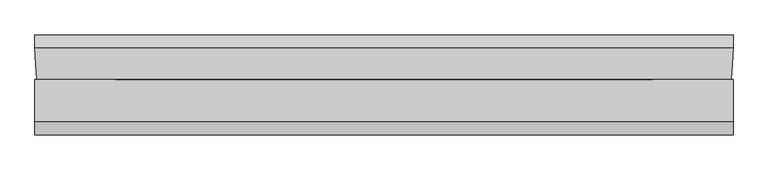
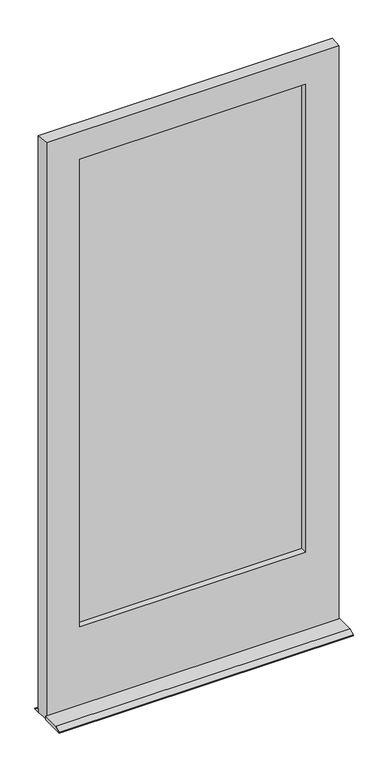
"""IFC4 building model written with IfcOpenShell, lengths in millimetres: plate geometry."""

import ifcopenshell
import ifcopenshell.guid

model = None  # the IFC model being written
_history = None  # IfcOwnerHistory: only IFC2X3 demands one
_inside = {}  # id of a spatial element -> (the spatial element, [elements in it])
_under = {}  # id of a project, library or spatial element -> (it, [spatial elements below it])
_declared = {}  # id of a project -> (the project, [libraries it declares])
_typed = {}  # id of a type object -> (the type object, [elements of that type])
_made_of = {}  # id of a material, layer set ... -> (it, [elements and type objects made of it])


def new_model(schema):
    """Start an empty IFC model of exactly this schema.

    Asked for "IFC4X3", IfcOpenShell would pick the latest addendum, in which some entities
    have other attributes; the version numbers below select the first issue.
    IFC2X3 requires an IfcOwnerHistory on every rooted entity: one is made here for all.
    """
    global model, _history
    if schema == "IFC4X3":
        model = ifcopenshell.file(schema_version=(4, 3, 0, 0))
    else:
        model = ifcopenshell.file(schema=schema)
    _inside.clear()
    _under.clear()
    _declared.clear()
    _typed.clear()
    _made_of.clear()
    _history = None
    if model.schema == "IFC2X3":
        org = make("IfcOrganization", Name="unknown")
        user = make(
            "IfcPersonAndOrganization",
            ThePerson=make("IfcPerson", FamilyName="unknown"),
            TheOrganization=org,
        )
        app = make(
            "IfcApplication",
            ApplicationDeveloper=org,
            Version="unknown",
            ApplicationFullName="unknown",
            ApplicationIdentifier="unknown",
        )
        _history = make(
            "IfcOwnerHistory",
            OwningUser=user,
            OwningApplication=app,
            ChangeAction="ADDED",
            CreationDate=0,
        )
    return model


def make(cls, **values):
    """One entity of the class cls with the attributes given. An attribute that is None is left unset."""
    return model.create_entity(
        cls, **{name: value for name, value in values.items() if value is not None}
    )


def rooted(cls, **values):
    """An entity with a GlobalId (a new one), such as an element, a storey or a relation."""
    return make(cls, GlobalId=ifcopenshell.guid.new(), OwnerHistory=_history, **values)


def si_unit(unit_type, name, prefix=None):
    """IfcSIUnit, for example si_unit("LENGTHUNIT", "METRE", prefix="MILLI")."""
    return make("IfcSIUnit", UnitType=unit_type, Prefix=prefix, Name=name)


def assignment(units):
    """IfcUnitAssignment: the units of a project."""
    return None if units is None else make("IfcUnitAssignment", Units=units)


def point(xyz):
    """IfcCartesianPoint."""
    return None if xyz is None else make("IfcCartesianPoint", Coordinates=xyz)


def direction(xyz):
    """IfcDirection."""
    return None if xyz is None else make("IfcDirection", DirectionRatios=xyz)


def frame(location, z_axis=None, x_axis=None):
    """IfcAxis2Placement3D, a coordinate frame: its origin and axes. An axis left out is left unset."""
    return make(
        "IfcAxis2Placement3D",
        Location=point(location),
        Axis=direction(z_axis),
        RefDirection=direction(x_axis),
    )


def origin():
    """The frame at (0, 0, 0) with its axes left unset."""
    return frame((0.0, 0.0, 0.0))


def place(relative_to, where):
    """IfcLocalPlacement: puts the frame where relative to a parent placement (None: the world)."""
    return make(
        "IfcLocalPlacement", PlacementRelTo=relative_to, RelativePlacement=where
    )


def context(
    kind, dimensions, precision=None, world=None, true_north=None, identifier=None
):
    """IfcGeometricRepresentationContext, for example the 3D "Model" context."""
    return make(
        "IfcGeometricRepresentationContext",
        ContextIdentifier=identifier,
        ContextType=kind,
        CoordinateSpaceDimension=dimensions,
        Precision=precision,
        WorldCoordinateSystem=world,
        TrueNorth=true_north,
    )


def project(units=None, contexts=None):
    """IfcProject with its units and contexts."""
    return rooted(
        "IfcProject",
        Name="project",
        RepresentationContexts=contexts,
        UnitsInContext=assignment(units),
    )


def spatial(cls, under=None, at=None, **own):
    """A site, building, storey or space (cls), placed at a placement, below another one or the project."""
    s = rooted(cls, ObjectPlacement=at, **own)
    if under is not None:
        _under.setdefault(under.id(), (under, []))[1].append(s)
    return s


def polyline(points):
    """IfcPolyline through the points."""
    return make("IfcPolyline", Points=[point(p) for p in points])


def outline(outer, holes=None, kind="AREA"):
    """IfcArbitraryClosedProfileDef: a profile drawn as a closed curve; with holes, ...WithVoids."""
    if holes is None:
        return make("IfcArbitraryClosedProfileDef", ProfileType=kind, OuterCurve=outer)
    return make(
        "IfcArbitraryProfileDefWithVoids",
        ProfileType=kind,
        OuterCurve=outer,
        InnerCurves=holes,
    )


def extrude(swept, where, along, depth):
    """IfcExtrudedAreaSolid: the profile swept, set in the frame where, extruded along a direction by depth."""
    return make(
        "IfcExtrudedAreaSolid",
        SweptArea=swept,
        Position=where,
        ExtrudedDirection=direction(along),
        Depth=depth,
    )


def faces_of(points, faces, orient=None, outer=None):
    """IfcFace entities. A face is a list of loops; a loop is a list of indices into points, from 0.

    orient and outer hold one flag for each loop. By default every Orientation is true, the
    first loop of a face is its IfcFaceOuterBound and the others are IfcFaceBound.
    """
    made = []
    for i, loops in enumerate(faces):
        bounds = []
        for j, loop in enumerate(loops):
            is_outer = j == 0 if outer is None else outer[i][j]
            bounds.append(
                make(
                    "IfcFaceOuterBound" if is_outer else "IfcFaceBound",
                    Bound=make("IfcPolyLoop", Polygon=[points[k] for k in loop]),
                    Orientation=True if orient is None else orient[i][j],
                )
            )
        made.append(make("IfcFace", Bounds=bounds))
    return made


def faceted_brep(points, faces, orient=None, outer=None, voids=None):
    """IfcFacetedBrep: a solid bounded by flat faces; with voids (closed shells), ...WithVoids."""
    shared = [point(p) for p in points]
    hull = make("IfcClosedShell", CfsFaces=faces_of(shared, faces, orient, outer))
    if voids is None:
        return make("IfcFacetedBrep", Outer=hull)
    return make(
        "IfcFacetedBrepWithVoids",
        Outer=hull,
        Voids=[
            make(cls, CfsFaces=faces_of(shared, fs, o, b)) for cls, fs, o, b in voids
        ],
    )


def shape(context_of_items, identifier, shape_type, items):
    """IfcShapeRepresentation: the items that make up one representation, for example the "Body"."""
    return make(
        "IfcShapeRepresentation",
        ContextOfItems=context_of_items,
        RepresentationIdentifier=identifier,
        RepresentationType=shape_type,
        Items=items,
    )


def source(mapping_origin, context_of_items, identifier, shape_type, items):
    """IfcRepresentationMap: a shape defined once, which mapped items show again and again."""
    return make(
        "IfcRepresentationMap",
        MappingOrigin=mapping_origin,
        MappedRepresentation=shape(context_of_items, identifier, shape_type, items),
    )


def transform(
    local_origin,
    x_axis=None,
    y_axis=None,
    z_axis=None,
    scale=None,
    scale2=None,
    scale3=None,
    uniform=True,
):
    """IfcCartesianTransformationOperator3D, or its non-uniform kind. x_axis, y_axis, z_axis: its Axis1, 2, 3."""
    if uniform:
        return make(
            "IfcCartesianTransformationOperator3D",
            Axis1=direction(x_axis),
            Axis2=direction(y_axis),
            LocalOrigin=point(local_origin),
            Scale=scale,
            Axis3=direction(z_axis),
        )
    return make(
        "IfcCartesianTransformationOperator3DnonUniform",
        Axis1=direction(x_axis),
        Axis2=direction(y_axis),
        LocalOrigin=point(local_origin),
        Scale=scale,
        Axis3=direction(z_axis),
        Scale2=scale2,
        Scale3=scale3,
    )


def mapped(mapping_source, mapping_target):
    """IfcMappedItem: shows the shape of a source again, moved by a transform."""
    return make(
        "IfcMappedItem", MappingSource=mapping_source, MappingTarget=mapping_target
    )


def made_of(thing, what):
    """Note that an element or type object is made of a material, layer set ...; save() writes the relation."""
    if what is not None:
        _made_of.setdefault(what.id(), (what, []))[1].append(thing)
    return thing


def element(
    cls,
    number,
    at=None,
    inside=None,
    cuts=None,
    type_object=None,
    material=None,
    context=None,
    identifier="Body",
    shape_type=None,
    held_by="IfcProductDefinitionShape",
    body=None,
    shapes=None,
    **own,
):
    """One element of the class cls, such as IfcWall. Its Tag is "e" and its number.

    at: its placement. inside: the storey or other place that contains it. cuts: it is an
    opening in that element (IfcRelVoidsElement). A single representation is given by context,
    identifier, shape_type and body (its items); several are given by shapes. held_by: the class
    of the entity that holds the representations. save() writes the other relations.
    """
    e = rooted(cls, Tag="e%d" % number, ObjectPlacement=at, **own)
    if body is not None:
        shapes = [shape(context, identifier, shape_type, body)]
    if shapes is not None:
        e.Representation = make(held_by, Representations=shapes)
    if inside is not None:
        _inside.setdefault(inside.id(), (inside, []))[1].append(e)
    if cuts is not None:
        rooted(
            "IfcRelVoidsElement", RelatingBuildingElement=cuts, RelatedOpeningElement=e
        )
    if type_object is not None:
        _typed.setdefault(type_object.id(), (type_object, []))[1].append(e)
    return made_of(e, material)


def aggregate(whole, parts):
    """IfcRelAggregates: a whole, such as a stair, and the parts it consists of."""
    return rooted("IfcRelAggregates", RelatingObject=whole, RelatedObjects=parts)


def save(model, path):
    """Write the relations noted so far, then the file.

    IfcRelAggregates (storeys below a building ...), IfcRelContainedInSpatialStructure (elements
    in a storey), IfcRelDefinesByType, IfcRelAssociatesMaterial and IfcRelDeclares: one each for
    every whole, place, type object, material and project.
    """
    for whole, parts in _under.values():
        aggregate(whole, parts)
    for where, things in _inside.values():
        rooted(
            "IfcRelContainedInSpatialStructure",
            RelatedElements=things,
            RelatingStructure=where,
        )
    for kind, things in _typed.values():
        rooted("IfcRelDefinesByType", RelatedObjects=things, RelatingType=kind)
    for what, things in _made_of.values():
        rooted("IfcRelAssociatesMaterial", RelatedObjects=things, RelatingMaterial=what)
    for by, libraries in _declared.values():
        rooted("IfcRelDeclares", RelatingContext=by, RelatedDefinitions=libraries)
    model.write(path)


def plate_6ab7fcc1(model_context):
    return source(origin(), model_context, "Body", "SolidModel", [
        extrude(outline(polyline([(-398.4440057, -16.3742688), (-398.4440057, -13.1992688), (398.4624637, -13.1992688), (398.4624637, -16.3742688), (-398.4440057, -16.3742688)])), frame((0.0, 0.0, 277.415625), z_axis=(0.0, 0.0, 1.0), x_axis=(1.0, 0.0, 0.0)), (0.0, 0.0, 1.0), 1707.753125),
        extrude(outline(polyline([(-398.4440057, -20.9383312), (398.4624637, -20.9383312), (398.4624637, -24.1133312), (-398.4440057, -24.1133312), (-398.4440057, -20.9383312)])), frame((0.0, 0.0, 277.415625), z_axis=(0.0, 0.0, 1.0), x_axis=(1.0, 0.0, 0.0)), (0.0, 0.0, 1.0), 1707.753125),
        faceted_brep([(499.2687863, -46.037564, 12.7), (499.2687863, -106.3618913, 12.7), (499.2687863, -125.4125, 3.1746956), (499.2687863, -125.4125, 0.0003044), (499.2687863, -46.037564, 0.0003044), (499.2687863, 17.4625, 0.0003044), (499.2687863, 17.4625, 3.1746956), (499.2687863, -1.587564, 12.6997276), (499.2687863, -1.587564, 0.0003044), (-499.2452447, -1.587564, 12.6997276), (-499.2452447, 17.4625, 3.1746956), (-499.2452447, 17.4625, 0.0003044), (-499.2452447, -1.587564, 0.0003044), (-499.2452447, -125.4125, 0.0003044), (-499.2452447, -125.4125, 3.1746956), (-499.2452447, -106.3618913, 12.7), (-499.2452447, -46.037564, 12.7), (-499.2452447, -46.037564, 0.0003044), (398.4624637, -24.1133312, 277.415625), (398.4624637, -13.1992688, 277.415625), (-398.4440057, -13.1992688, 277.415625), (-398.4440057, -24.1133312, 277.415625), (398.4624637, -24.1133313, 1985.16875), (-398.4440057, -24.1133313, 1985.16875), (383.3943125, -24.1133312, 292.0869956), (383.3943125, -24.1133313, 1970.1002), (-383.3685057, -24.1133313, 1970.1002), (-383.3685057, -24.1133312, 292.0869956), (383.3943125, -46.037564, 292.0869956), (-383.3685057, -46.037564, 292.0869956), (496.5001863, -46.037564, 12.7), (496.5001863, -46.037564, 2067.71875), (-496.4766447, -46.037564, 2067.71875), (-496.4766447, -46.037564, 12.7), (383.3943125, -46.037564, 1970.1002), (-383.3685057, -46.037564, 1970.1002), (-496.4766447, -46.037564, 0.0003044), (496.5001863, -46.037564, 0.0003044), (499.2687863, -1.587564, 2067.71875), (-499.2452447, -1.587564, 2067.71875), (378.61875, -1.587564, 296.8621956), (378.61875, -1.587564, 1965.325), (-378.61875, -1.587564, 1965.325), (-378.61875, -1.587564, 296.8621956), (378.61875, -13.1992688, 296.8621956), (-378.61875, -13.1992688, 296.8621956), (398.4624637, -13.1992688, 1985.16875), (-398.4440057, -13.1992688, 1985.16875), (378.61875, -13.1992688, 1965.325), (-378.61875, -13.1992688, 1965.325)], [[[0, 1, 2, 3, 4]], [[5, 6, 7, 8]], [[9, 10, 11, 12]], [[13, 14, 15, 16, 17]], [[18, 19, 20, 21]], [[22, 18, 21, 23], [24, 25, 26, 27]], [[28, 24, 27, 29]], [[30, 31, 32, 33], [34, 28, 29, 35]], [[1, 0, 30, 33, 16, 15]], [[2, 1, 15, 14]], [[3, 2, 14, 13]], [[3, 13, 17, 36, 12, 11, 5, 8, 37, 4]], [[6, 5, 11, 10]], [[7, 6, 10, 9]], [[38, 7, 9, 39], [40, 41, 42, 43]], [[44, 40, 43, 45]], [[19, 46, 47, 20], [48, 44, 45, 49]], [[35, 29, 27, 26]], [[21, 20, 47, 23]], [[49, 45, 43, 42]], [[40, 44, 48, 41]], [[19, 18, 22, 46]], [[24, 28, 34, 25]], [[41, 48, 49, 42]], [[46, 22, 23, 47]], [[25, 34, 35, 26]], [[32, 39, 9, 12, 36, 33]], [[30, 37, 8, 7, 38, 31]], [[31, 38, 39, 32]], [[37, 30, 0, 4]], [[33, 36, 17, 16]]]),
    ])


if __name__ == "__main__":
    model = new_model("IFC4")
    model_context = context("Model", 3, world=origin())
    ifc_project = project(units=[si_unit("LENGTHUNIT", "METRE", prefix="MILLI")], contexts=[model_context])
    site = spatial("IfcSite", under=ifc_project)
    building = spatial("IfcBuilding", under=site)
    placement = place(None, origin())
    plate_shape = plate_6ab7fcc1(model_context)
    element("IfcPlate", 1, at=placement, inside=building, context=model_context, shape_type="MappedRepresentation", body=[
        mapped(plate_shape, transform((0.0, 0.0, 0.0), x_axis=(1.0, 0.0, 0.0), y_axis=(0.0, 1.0, 0.0), z_axis=(0.0, 0.0, 1.0))),
    ])
    save(model, "model.ifc")
